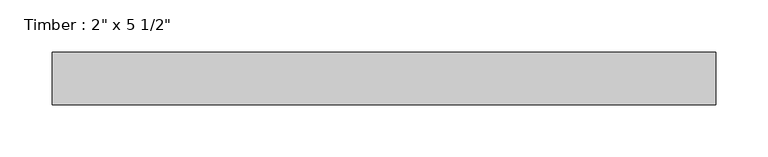
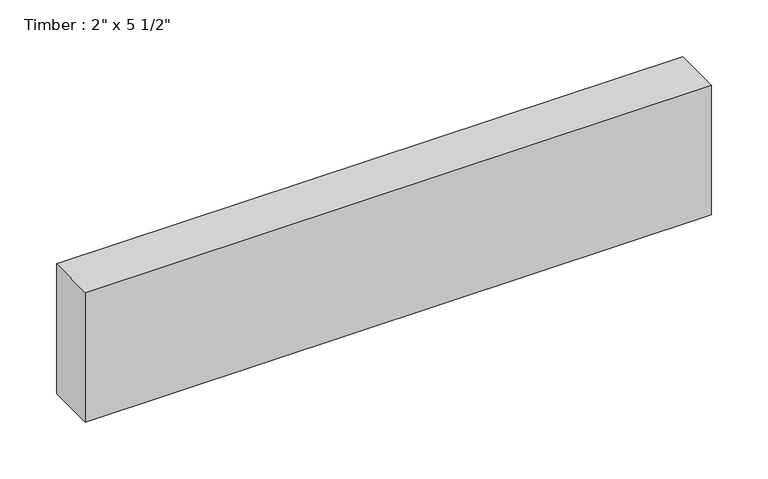
"""IFC4 building model written with IfcOpenShell, lengths in millimetres: beam geometry."""

from ifc_helpers import new_model, si_unit, frame, origin, place, context, project, spatial, polyline, outline, extrude, source, transform, mapped, element, save


def beam_c32f040a(model_context):
    return source(origin(), model_context, "Body", "SweptSolid", [
        extrude(outline(polyline([(307.5490189, 25.4), (307.5490189, -25.4), (-330.5584803, -25.4), (-330.5584803, 25.4), (307.5490189, 25.4)])), frame((0.0, 0.0, -69.85), z_axis=(0.0, 0.0, 1.0), x_axis=(1.0, 0.0, 0.0)), (0.0, 0.0, 1.0), 139.7),
    ])


if __name__ == "__main__":
    model = new_model("IFC4")
    model_context = context("Model", 3, world=origin())
    ifc_project = project(units=[si_unit("LENGTHUNIT", "METRE", prefix="MILLI")], contexts=[model_context])
    site = spatial("IfcSite", under=ifc_project)
    building = spatial("IfcBuilding", under=site)
    placement = place(None, origin())
    beam_shape = beam_c32f040a(model_context)
    element("IfcBeam", 1, ObjectType="Timber : 2\" x 5 1/2\"", at=placement, inside=building, context=model_context, shape_type="MappedRepresentation", body=[
        mapped(beam_shape, transform((0.0, 0.0, 0.0), x_axis=(1.0, 0.0, 0.0), y_axis=(0.0, 1.0, 0.0), z_axis=(0.0, 0.0, 1.0))),
    ])
    save(model, "model.ifc")
